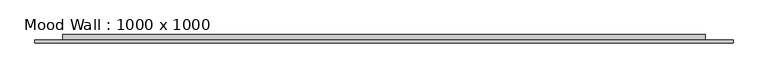
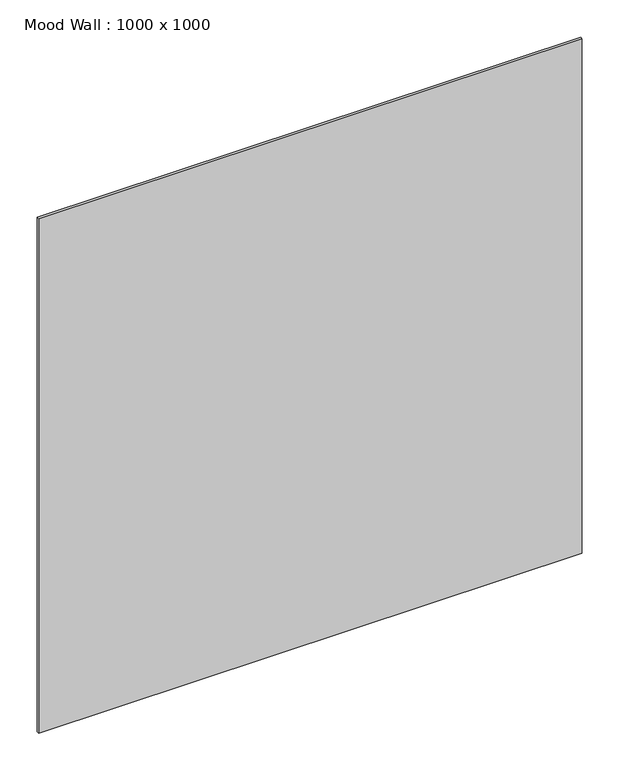
"""IFC4 building model written with IfcOpenShell, lengths in millimetres: furniture geometry, Mood Wall : 1000 x 1000."""

from ifc_helpers import new_model, si_unit, frame, origin, origin_with_axes, place, context, project, spatial, polyline, outline, extrude, source, transform, mapped, element, save


def mood_wall_1000_x_1000_0694eb95(model_context):
    return source(origin(), model_context, "Body", "SweptSolid", [
        extrude(outline(polyline([(500.0128906, -8.0), (500.0128906, -12.0), (-500.0128906, -12.0), (-500.0128906, -8.0), (500.0128906, -8.0)])), origin_with_axes(), (0.0, 0.0, 1.0), 1000.0257813),
        extrude(outline(polyline([(460.0128906, 0.0), (460.0128906, -8.0), (-460.0128906, -8.0), (-460.0128906, 0.0), (460.0128906, 0.0)])), frame((0.0, 0.0, 40.0), z_axis=(0.0, 0.0, 1.0), x_axis=(1.0, 0.0, 0.0)), (0.0, 0.0, 1.0), 920.0257812),
    ])


if __name__ == "__main__":
    model = new_model("IFC4")
    model_context = context("Model", 3, world=origin())
    ifc_project = project(units=[si_unit("LENGTHUNIT", "METRE", prefix="MILLI")], contexts=[model_context])
    site = spatial("IfcSite", under=ifc_project)
    building = spatial("IfcBuilding", under=site)
    placement = place(None, origin())
    mood_wall_1000_x_1000_shape = mood_wall_1000_x_1000_0694eb95(model_context)
    element("IfcFurniture", 1, ObjectType="Mood Wall : 1000 x 1000", at=placement, inside=building, context=model_context, shape_type="MappedRepresentation", body=[
        mapped(mood_wall_1000_x_1000_shape, transform((0.0, 0.0, 0.0), x_axis=(1.0, 0.0, 0.0), y_axis=(0.0, 1.0, 0.0), z_axis=(0.0, 0.0, 1.0))),
    ])
    save(model, "model.ifc")
